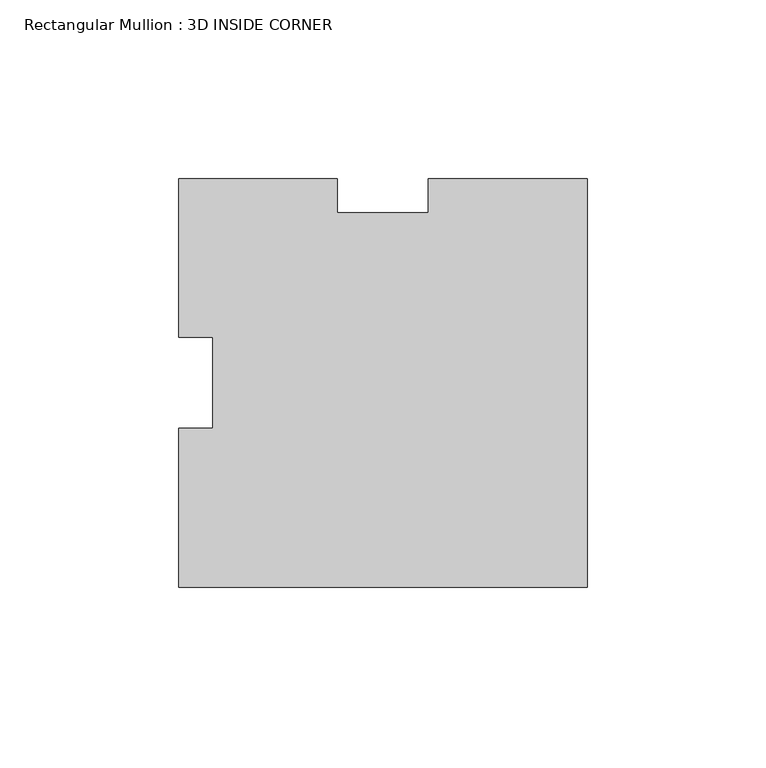
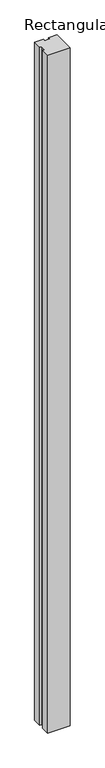
"""IFC4 building model written with IfcOpenShell, lengths in millimetres: member geometry, Rectangular Mullion : 3D INSIDE CORNER."""

from ifc_helpers import new_model, si_unit, frame, origin, place, context, project, spatial, polyline, outline, extrude, source, transform, mapped, element, save


def rectangular_mullion_3d_inside_corner_d04d8757(model_context):
    return source(origin(), model_context, "Body", "SweptSolid", [
        extrude(outline(polyline([(0.0, -66.4526436), (-114.3, -66.4526436), (-114.3, -22.0464928), (-104.775, -22.0464928), (-104.775, 3.4412056), (-114.3, 3.4412056), (-114.3, 47.8473564), (-69.8938492, 47.8473564), (-69.8938492, 38.3223564), (-44.4061508, 38.3223564), (-44.4061508, 47.8473564), (0.0, 47.8473564), (0.0, -66.4526436)])), frame((0.0, 0.0, -3657.6), z_axis=(0.0, 0.0, 1.0), x_axis=(1.0, 0.0, 0.0)), (0.0, 0.0, 1.0), 3657.6),
    ])


if __name__ == "__main__":
    model = new_model("IFC4")
    model_context = context("Model", 3, world=origin())
    ifc_project = project(units=[si_unit("LENGTHUNIT", "METRE", prefix="MILLI")], contexts=[model_context])
    site = spatial("IfcSite", under=ifc_project)
    building = spatial("IfcBuilding", under=site)
    placement = place(None, origin())
    rectangular_mullion_3d_inside_corner_shape = rectangular_mullion_3d_inside_corner_d04d8757(model_context)
    element("IfcMember", 1, ObjectType="Rectangular Mullion : 3D INSIDE CORNER", at=placement, inside=building, context=model_context, shape_type="MappedRepresentation", body=[
        mapped(rectangular_mullion_3d_inside_corner_shape, transform((0.0, 0.0, 0.0), x_axis=(1.0, 0.0, 0.0), y_axis=(0.0, 1.0, 0.0), z_axis=(0.0, 0.0, 1.0))),
    ])
    save(model, "model.ifc")
